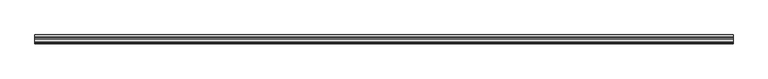
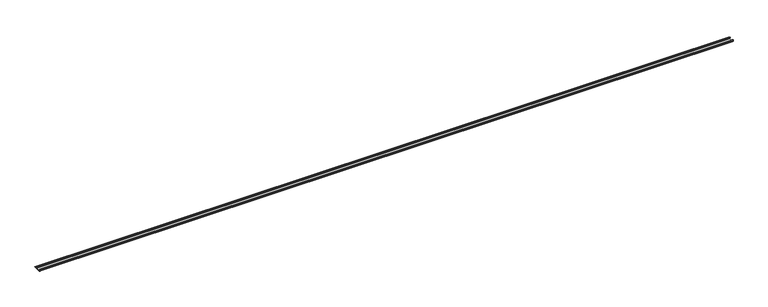
"""IFC4 building model written with IfcOpenShell, lengths in millimetres: proxy geometry."""

from ifc_helpers import new_model, si_unit, point, frame, frame_2d, origin, place, context, project, spatial, polyline, circle_curve, trimmed, segment, composite_curve, outline, extrude, source, transform, mapped, element, save


def generic_models_d4074758(model_context):
    return source(origin(), model_context, "Body", "SweptSolid", [
        extrude(outline(composite_curve([segment(trimmed(circle_curve(frame_2d((-62.6503601, 1.8496399)), 1.8496399), [point((-62.6503601, 0.0))], [point((-64.5, 1.8496399))], False, "CARTESIAN"), True, "CONTINUOUS"), segment(polyline([(-64.5, 1.8496399), (-64.5, 5.954427)]), True, "CONTINUOUS"), segment(trimmed(circle_curve(frame_2d((-66.20622, 5.954427)), 1.70622), [point((-64.5, 5.954427))], [point((-65.4316123, 7.4746802))], True, "CARTESIAN"), True, "CONTINUOUS"), segment(polyline([(-65.4316123, 7.4746802), (-72.6810737, 11.1684652)]), True, "CONTINUOUS"), segment(trimmed(circle_curve(frame_2d((-71.168691, 14.1366832)), 3.331309), [point((-72.6810737, 11.1684652))], [point((-74.5, 14.1366832))], False, "CARTESIAN"), True, "CONTINUOUS"), segment(polyline([(-74.5, 14.1366832), (-74.5, 20.1779423)]), True, "CONTINUOUS"), segment(trimmed(circle_curve(frame_2d((-71.9904423, 20.1779423)), 2.5095577), [point((-74.5, 20.1779423))], [point((-71.9904423, 22.6875))], False, "CARTESIAN"), True, "CONTINUOUS"), segment(polyline([(-71.9904423, 22.6875), (-70.5, 22.6875), (-70.5, 20.6875), (-71.7785709, 20.6875)]), True, "CONTINUOUS"), segment(trimmed(circle_curve(frame_2d((-71.7785709, 19.9660709)), 0.7214291), [point((-71.7785709, 20.6875))], [point((-72.5, 19.9660709))], True, "CARTESIAN"), True, "CONTINUOUS"), segment(polyline([(-72.5, 19.9660709), (-72.5, 14.7749524)]), True, "CONTINUOUS"), segment(trimmed(circle_curve(frame_2d((-70.1271304, 14.7749524)), 2.3728696), [point((-72.5, 14.7749524))], [point((-71.2043907, 12.6607101))], True, "CARTESIAN"), True, "CONTINUOUS"), segment(polyline([(-71.2043907, 12.6607101), (-64.0754216, 9.028319)]), True, "CONTINUOUS"), segment(trimmed(circle_curve(frame_2d((-65.3853373, 6.4574646)), 2.8853373), [point((-64.0754216, 9.028319))], [point((-62.5, 6.4574646))], False, "CARTESIAN"), True, "CONTINUOUS"), segment(polyline([(-62.5, 6.4574646), (-62.5, 4.1283032)]), True, "CONTINUOUS"), segment(trimmed(circle_curve(frame_2d((-60.3716968, 4.1283032)), 2.1283032), [point((-62.5, 4.1283032))], [point((-60.3716968, 2.0))], True, "CARTESIAN"), True, "CONTINUOUS"), segment(polyline([(-60.3716968, 2.0), (-24.1498681, 2.0)]), True, "CONTINUOUS"), segment(trimmed(circle_curve(frame_2d((-24.1498681, 4.6498681)), 2.6498681), [point((-24.1498681, 2.0))], [point((-21.5, 4.6498681))], True, "CARTESIAN"), True, "CONTINUOUS"), segment(polyline([(-21.5, 4.6498681), (-21.5, 11.0762745)]), True, "CONTINUOUS"), segment(trimmed(circle_curve(frame_2d((-24.2710864, 11.0762745)), 2.7710864), [point((-21.5, 11.0762745))], [point((-23.0130395, 13.5453305))], True, "CARTESIAN"), True, "CONTINUOUS"), segment(polyline([(-23.0130395, 13.5453305), (-31.0115672, 17.620784), (-31.0115672, 19.8654365), (-21.2217486, 14.8772747)]), True, "CONTINUOUS"), segment(trimmed(circle_curve(frame_2d((-22.6533308, 12.0676364)), 3.1533308), [point((-21.2217486, 14.8772747))], [point((-19.5, 12.0676364))], False, "CARTESIAN"), True, "CONTINUOUS"), segment(polyline([(-19.5, 12.0676364), (-19.5, 4.4365856)]), True, "CONTINUOUS"), segment(trimmed(circle_curve(frame_2d((-17.0634144, 4.4365856)), 2.4365856), [point((-19.5, 4.4365856))], [point((-17.0634144, 2.0))], True, "CARTESIAN"), True, "CONTINUOUS"), segment(polyline([(-17.0634144, 2.0), (0.0, 2.0), (0.0, 0.0), (-62.6503601, 0.0)]), True, "CONTINUOUS")], self_intersect=False)), frame((0.0, 0.0, 0.0), z_axis=(1.0, 0.0, 0.0), x_axis=(0.0, 1.0, 0.0)), (0.0, 0.0, 1.0), 5876.0),
    ])


if __name__ == "__main__":
    model = new_model("IFC4")
    model_context = context("Model", 3, world=origin())
    ifc_project = project(units=[si_unit("LENGTHUNIT", "METRE", prefix="MILLI")], contexts=[model_context])
    site = spatial("IfcSite", under=ifc_project)
    building = spatial("IfcBuilding", under=site)
    placement = place(None, origin())
    generic_models_shape = generic_models_d4074758(model_context)
    element("IfcBuildingElementProxy", 1, Name="Generic Models", at=placement, inside=building, context=model_context, shape_type="MappedRepresentation", body=[
        mapped(generic_models_shape, transform((0.0, 0.0, 0.0), x_axis=(1.0, 0.0, 0.0), y_axis=(0.0, 1.0, 0.0), z_axis=(0.0, 0.0, 1.0))),
    ])
    save(model, "model.ifc")
